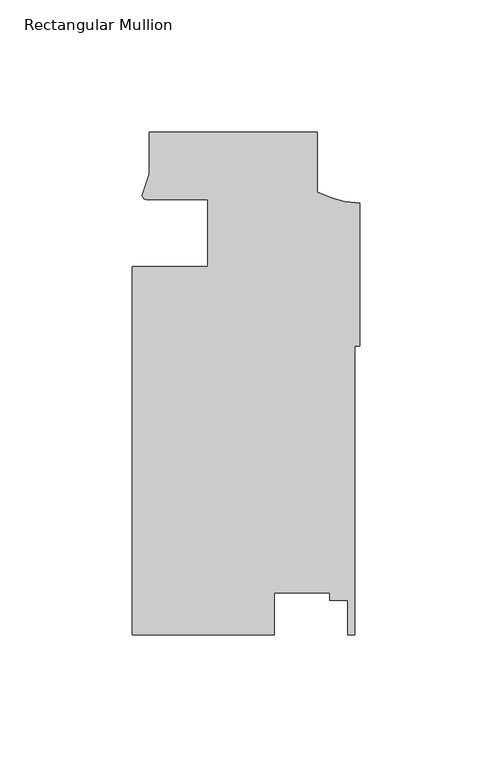
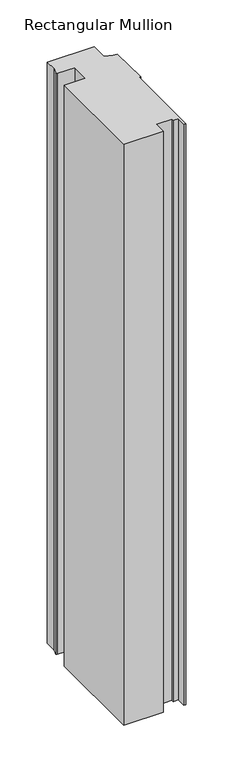
"""IFC4 building model written with IfcOpenShell, lengths in millimetres: member geometry, Rectangular Mullion."""

from ifc_helpers import new_model, si_unit, point, frame, frame_2d, origin, place, context, project, spatial, polyline, circle_curve, trimmed, segment, composite_curve, outline, extrude, source, transform, mapped, element, save


def rectangular_mullion_2a03b56f(model_context):
    return source(origin(), model_context, "Body", "SweptSolid", [
        extrude(outline(composite_curve([segment(polyline([(-85.8370969, -12.7004525), (-57.2620969, -12.6998707), (-57.2620969, 12.3823673)]), True, "CONTINUOUS"), segment(trimmed(circle_curve(frame_2d((-75.1863451, -448.3078197)), 461.0387479), [point((-57.2620969, 12.3823673))], [point((-80.5212257, 12.700061))], True, "CARTESIAN"), True, "CONTINUOUS"), segment(trimmed(circle_curve(frame_2d((-80.4383342, 14.401412)), 1.703369), [point((-80.5212257, 12.700061))], [point((-82.1379521, 14.2884292))], False, "CARTESIAN"), True, "CONTINUOUS"), segment(polyline([(-82.1379521, 14.2884292), (-79.4870969, 22.2250977), (-79.4870969, 38.1), (-15.9870969, 38.1), (-15.9870969, 15.5622869)]), True, "CONTINUOUS"), segment(trimmed(circle_curve(frame_2d((1.9614918, 50.6808025)), 39.4393455), [point((-15.9870969, 15.5622869))], [point((0.0, 11.290264))], True, "CARTESIAN"), True, "CONTINUOUS"), segment(polyline([(0.0, 11.290264), (0.0, -42.740266), (-1.8773984, -42.740266), (-1.8773984, -151.892), (-4.4173983, -151.892), (-4.4173983, -138.8482008), (-11.275398, -138.8482008), (-11.275398, -135.9935955), (-32.2220472, -135.9935955), (-32.2220472, -151.892), (-85.8370969, -151.892), (-85.8370969, -12.7004525)]), True, "CONTINUOUS")], self_intersect=False)), frame((0.0, 0.0, -831.8500061), z_axis=(0.0, 0.0, 1.0), x_axis=(1.0, 0.0, 0.0)), (0.0, 0.0, 1.0), 831.8500061),
    ])


if __name__ == "__main__":
    model = new_model("IFC4")
    model_context = context("Model", 3, world=origin())
    ifc_project = project(units=[si_unit("LENGTHUNIT", "METRE", prefix="MILLI")], contexts=[model_context])
    site = spatial("IfcSite", under=ifc_project)
    building = spatial("IfcBuilding", under=site)
    placement = place(None, origin())
    rectangular_mullion_shape = rectangular_mullion_2a03b56f(model_context)
    element("IfcMember", 1, ObjectType="Rectangular Mullion", at=placement, inside=building, context=model_context, shape_type="MappedRepresentation", body=[
        mapped(rectangular_mullion_shape, transform((0.0, 0.0, 0.0), x_axis=(1.0, 0.0, 0.0), y_axis=(0.0, 1.0, 0.0), z_axis=(0.0, 0.0, 1.0))),
    ])
    save(model, "model.ifc")
